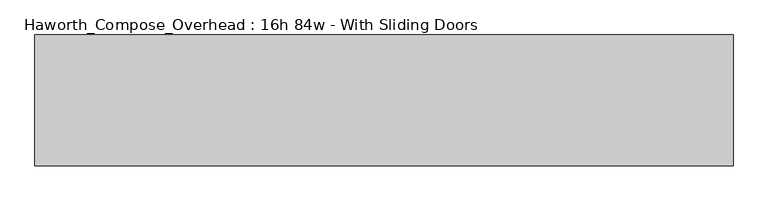
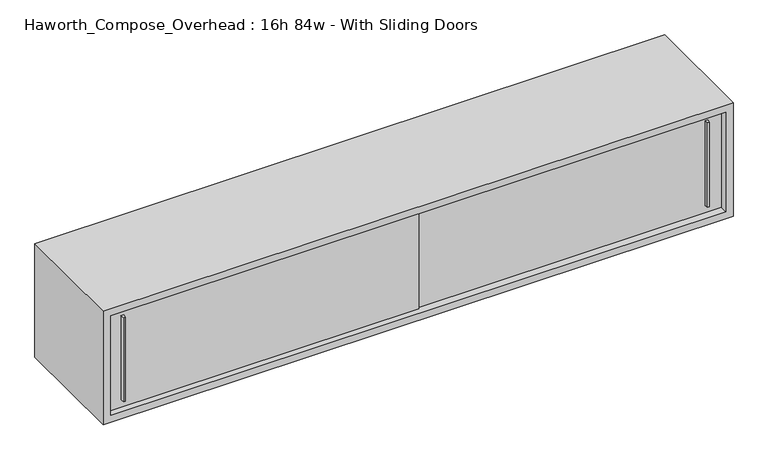
"""IFC4 building model written with IfcOpenShell, lengths in millimetres: furniture geometry, Haworth_Compose_Overhead : 16h 84w - With Sliding Doors."""

from ifc_helpers import new_model, si_unit, frame, origin, place, context, project, spatial, polyline, outline, extrude, source, transform, mapped, element, save


def haworth_compose_overhead_16h_84w_with_sliding_doors_251b601e(model_context):
    return source(origin(), model_context, "Body", "SweptSolid", [
        extrude(outline(polyline([(1158.8750004, -387.3499879), (1152.5249996, -387.3499879), (1150.9375011, -374.65), (1160.4624989, -374.65), (1158.8750004, -387.3499879)])), frame((0.0, 0.0, 1322.3875), z_axis=(0.0, 0.0, 1.0), x_axis=(1.0, 0.0, 0.0)), (0.0, 0.0, 1.0), 301.625),
        extrude(outline(polyline([(-822.3249996, -393.6999879), (-828.6750004, -393.6999879), (-830.2624989, -381.0), (-820.7375011, -381.0), (-822.3249996, -393.6999879)])), frame((0.0, 0.0, 1322.3875), z_axis=(0.0, 0.0, 1.0), x_axis=(1.0, 0.0, 0.0)), (0.0, 0.0, 1.0), 301.625),
        extrude(outline(polyline([(-876.3, -374.65), (177.8, -374.65), (177.8, -381.0), (-876.3, -381.0), (-876.3, -374.65)])), frame((0.0, 0.0, 1295.4), z_axis=(0.0, 0.0, 1.0), x_axis=(1.0, 0.0, 0.0)), (0.0, 0.0, 1.0), 355.6),
        extrude(outline(polyline([(152.4, -368.3), (1206.5, -368.3), (1206.5, -374.65), (152.4, -374.65), (152.4, -368.3)])), frame((0.0, 0.0, 1295.4), z_axis=(0.0, 0.0, 1.0), x_axis=(1.0, 0.0, 0.0)), (0.0, 0.0, 1.0), 355.6),
        extrude(outline(polyline([(1206.5, -6.35), (-876.3, -6.35), (-876.3, 0.0), (1206.5, 0.0), (1206.5, -6.35)])), frame((0.0, 0.0, 1295.4), z_axis=(0.0, 0.0, 1.0), x_axis=(1.0, 0.0, 0.0)), (0.0, 0.0, 1.0), 355.6),
        extrude(outline(polyline([(1270.0, 1231.9), (1676.4, 1231.9), (1676.4, -901.7), (1270.0, -901.7), (1270.0, 1231.9)]), holes=[polyline([(1651.0, 1206.5), (1295.4, 1206.5), (1295.4, -876.3), (1651.0, -876.3), (1651.0, 1206.5)])]), frame((0.0, -400.05, 0.0), z_axis=(0.0, 1.0, 0.0), x_axis=(0.0, 0.0, 1.0)), (0.0, 0.0, 1.0), 400.05),
    ])


if __name__ == "__main__":
    model = new_model("IFC4")
    model_context = context("Model", 3, world=origin())
    ifc_project = project(units=[si_unit("LENGTHUNIT", "METRE", prefix="MILLI")], contexts=[model_context])
    site = spatial("IfcSite", under=ifc_project)
    building = spatial("IfcBuilding", under=site)
    placement = place(None, origin())
    haworth_compose_overhead_16h_84w_with_sliding_doors_shape = haworth_compose_overhead_16h_84w_with_sliding_doors_251b601e(model_context)
    element("IfcFurniture", 1, ObjectType="Haworth_Compose_Overhead : 16h 84w - With Sliding Doors", at=placement, inside=building, context=model_context, shape_type="MappedRepresentation", body=[
        mapped(haworth_compose_overhead_16h_84w_with_sliding_doors_shape, transform((0.0, 0.0, 0.0), x_axis=(1.0, 0.0, 0.0), y_axis=(0.0, 1.0, 0.0), z_axis=(0.0, 0.0, 1.0))),
    ])
    save(model, "model.ifc")
